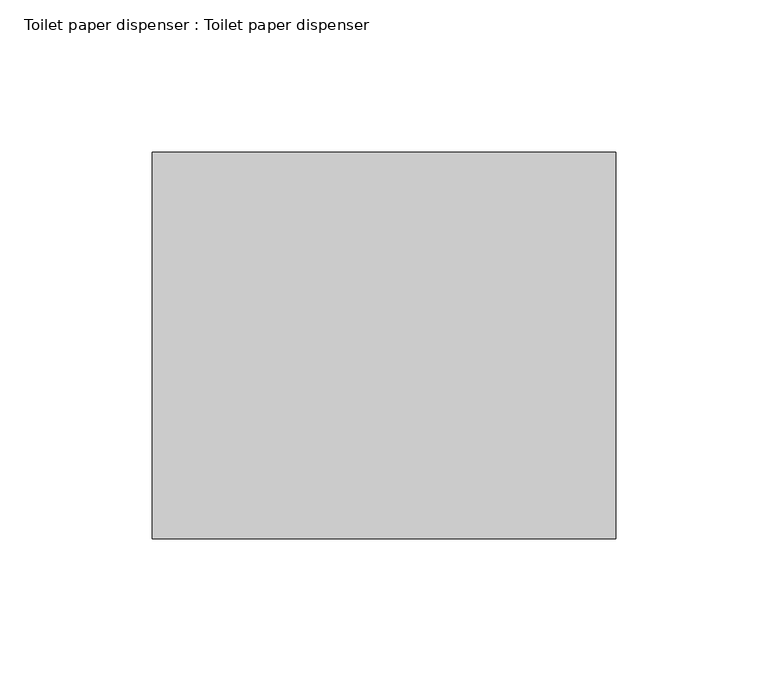
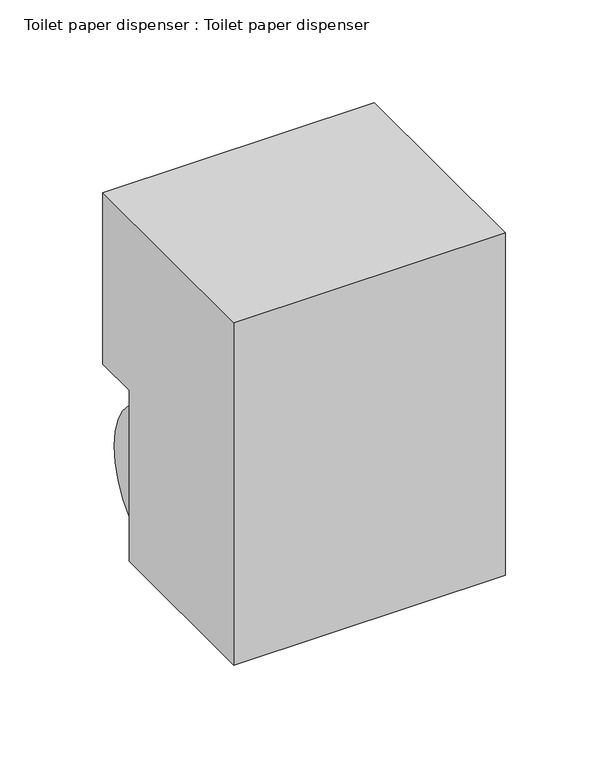
"""IFC4 building model written with IfcOpenShell, lengths in millimetres: flow terminal geometry, Toilet paper dispenser : Toilet paper dispenser."""

from ifc_helpers import new_model, si_unit, point, frame, frame_2d, origin, place, context, project, spatial, circle_curve, trimmed, segment, composite_curve, outline, extrude, faceted_brep, source, transform, mapped, element, save


def toilet_paper_dispenser_toilet_paper_dispenser_25b800f3(model_context):
    return source(origin(), model_context, "Body", "SolidModel", [
        extrude(outline(composite_curve([segment(trimmed(circle_curve(frame_2d((158.75, 431.8)), 44.45), [point((114.3, 431.8))], [point((203.2, 431.8))], False, "CARTESIAN"), True, "CONTINUOUS"), segment(trimmed(circle_curve(frame_2d((158.75, 431.8)), 44.45), [point((203.2, 431.8))], [point((114.3, 431.8))], False, "CARTESIAN"), True, "CONTINUOUS")], self_intersect=False)), frame((-81.9685542, 0.0, 0.0), z_axis=(1.0, 0.0, 0.0), x_axis=(0.0, 1.0, 0.0)), (0.0, 0.0, 1.0), 139.7),
        faceted_brep([(64.0814458, 76.2, 584.2), (64.0814458, 203.2, 584.2), (-88.3185542, 203.2, 584.2), (-88.3185542, 76.2, 584.2), (64.0814458, 76.2, 381.0), (-88.3185542, 76.2, 381.0), (-88.3185542, 177.8, 381.0), (64.0814458, 177.8, 381.0), (64.0814458, 177.8, 482.6), (64.0814458, 203.2, 482.6), (-88.3185542, 203.2, 482.6), (-88.3185542, 177.8, 482.6), (57.7314458, 177.8, 476.25), (-81.9685542, 177.8, 476.25), (-81.9685542, 177.8, 387.35), (57.7314458, 177.8, 387.35), (57.7314458, 88.9, 476.25), (-81.9685542, 88.9, 476.25), (-81.9685542, 88.9, 387.35), (57.7314458, 88.9, 387.35)], [[[0, 1, 2, 3]], [[4, 5, 6, 7]], [[1, 0, 4, 7, 8, 9]], [[2, 1, 9, 10]], [[3, 2, 10, 11, 6, 5]], [[0, 3, 5, 4]], [[8, 11, 10, 9]], [[11, 8, 7, 6], [12, 13, 14, 15]], [[16, 17, 13, 12]], [[18, 19, 15, 14]], [[17, 18, 14, 13]], [[17, 16, 19, 18]], [[19, 16, 12, 15]]]),
    ])


if __name__ == "__main__":
    model = new_model("IFC4")
    model_context = context("Model", 3, world=origin())
    ifc_project = project(units=[si_unit("LENGTHUNIT", "METRE", prefix="MILLI")], contexts=[model_context])
    site = spatial("IfcSite", under=ifc_project)
    building = spatial("IfcBuilding", under=site)
    placement = place(None, origin())
    toilet_paper_dispenser_toilet_paper_dispenser_shape = toilet_paper_dispenser_toilet_paper_dispenser_25b800f3(model_context)
    element("IfcFlowTerminal", 1, ObjectType="Toilet paper dispenser : Toilet paper dispenser", at=placement, inside=building, context=model_context, shape_type="MappedRepresentation", body=[
        mapped(toilet_paper_dispenser_toilet_paper_dispenser_shape, transform((0.0, 0.0, 0.0), x_axis=(1.0, 0.0, 0.0), y_axis=(0.0, 1.0, 0.0), z_axis=(0.0, 0.0, 1.0))),
    ])
    save(model, "model.ifc")
